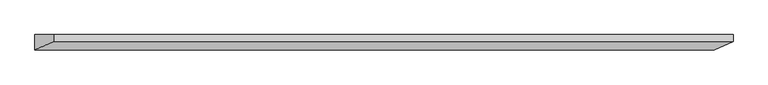
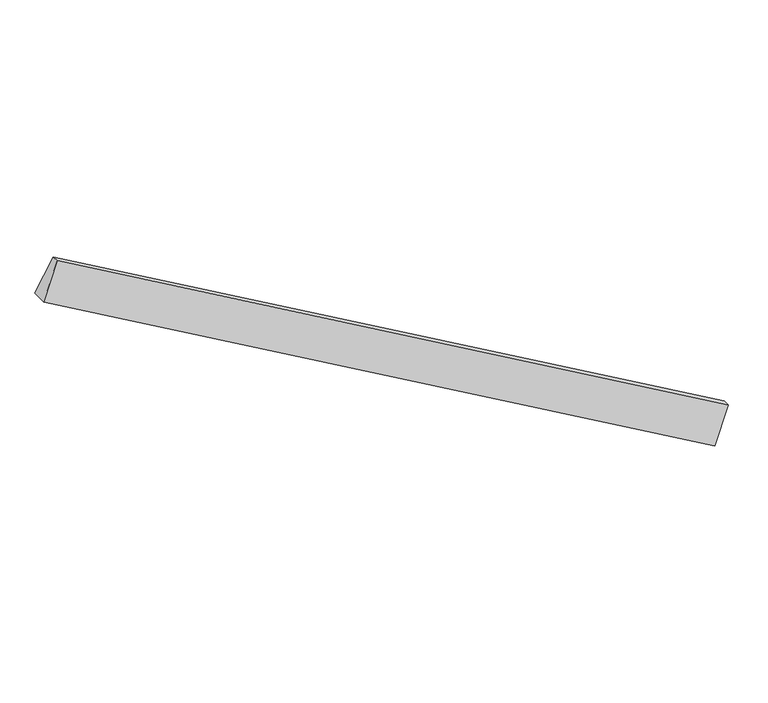
"""IFC4 building model written with IfcOpenShell, lengths in millimetres: proxy geometry."""

from ifc_helpers import new_model, si_unit, frame, origin, place, context, project, spatial, polyline, outline, extrude, source, transform, mapped, element, save


def generic_models_cfe28db0(model_context):
    return source(origin(), model_context, "Body", "SweptSolid", [
        extrude(outline(polyline([(0.0, 0.0), (11.2902212, 0.0), (25.6576027, -62.2319665), (0.0, -62.2319665), (0.0, 0.0)])), frame((-1367.3072502, 1767.0461254, 82.6876998), z_axis=(-0.8660254037844383, 0.0, 0.5000000000000009), x_axis=(0.0, -1.0, 0.0)), (0.0, 0.0, 1.0), 1305.0391532),
    ])


if __name__ == "__main__":
    model = new_model("IFC4")
    model_context = context("Model", 3, world=origin())
    ifc_project = project(units=[si_unit("LENGTHUNIT", "METRE", prefix="MILLI")], contexts=[model_context])
    site = spatial("IfcSite", under=ifc_project)
    building = spatial("IfcBuilding", under=site)
    placement = place(None, origin())
    generic_models_shape = generic_models_cfe28db0(model_context)
    element("IfcBuildingElementProxy", 1, Name="Generic Models", at=placement, inside=building, context=model_context, shape_type="MappedRepresentation", body=[
        mapped(generic_models_shape, transform((0.0, 0.0, 0.0), x_axis=(1.0, 0.0, 0.0), y_axis=(0.0, 1.0, 0.0), z_axis=(0.0, 0.0, 1.0))),
    ])
    save(model, "model.ifc")
